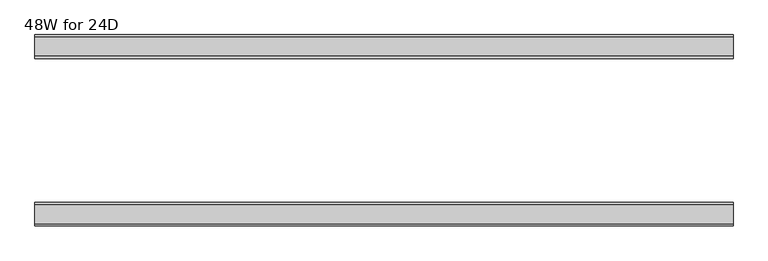
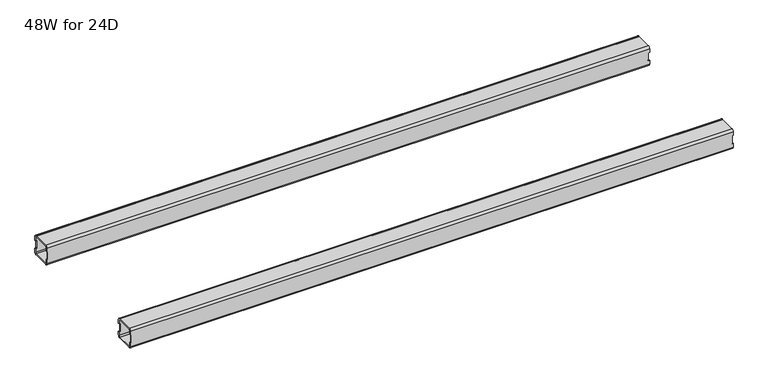
"""IFC4 building model written with IfcOpenShell, lengths in millimetres: furniture geometry, 48W for 24D."""

from ifc_helpers import new_model, si_unit, frame, origin, place, context, project, spatial, polyline, circle_curve, source, transform, mapped, element, save
from ifc_brep_helpers import plane_surface, cylinder_surface, revolved_surface, advanced_brep


def furniture_48w_for_24d_b0dd43f6(model_context):
    return source(origin(), model_context, "Body", "AdvancedBrep", [
        advanced_brep(
        [(1194.2028, -438.5082, 653.351), (1194.2028, -440.5082, 651.351), (1194.2028, -472.5082, 651.351), (1194.2028, -474.5082, 653.351), (1194.2028, -474.5082, 660.851), (1194.2028, -476.5082, 660.851), (1194.2028, -476.5082, 653.351), (1194.2028, -472.5082, 649.351), (1194.2028, -440.5082, 649.351), (1194.2028, -436.5082, 653.351), (1194.2028, -436.5082, 660.851), (1194.2028, -438.5082, 660.851), (1194.2028, -474.5082, 684.975), (1194.2028, -472.5082, 686.975), (1194.2028, -440.5082, 686.975), (1194.2028, -438.5082, 684.975), (1194.2028, -438.5082, 677.475), (1194.2028, -436.5082, 677.475), (1194.2028, -436.5082, 684.975), (1194.2028, -440.5082, 688.975), (1194.2028, -472.5082, 688.975), (1194.2028, -476.5082, 684.975), (1194.2028, -476.5082, 677.475), (1194.2028, -474.5082, 677.475), (22.0, -438.5082, 684.975), (22.0, -440.5082, 686.975), (22.0, -472.5082, 686.975), (22.0, -474.5082, 684.975), (22.0, -474.5082, 677.475), (22.0, -476.5082, 677.475), (22.0, -476.5082, 684.975), (22.0, -472.5082, 688.975), (22.0, -440.5082, 688.975), (22.0, -436.5082, 684.975), (22.0, -436.5082, 677.475), (22.0, -438.5082, 677.475), (22.0, -474.5082, 653.351), (22.0, -472.5082, 651.351), (22.0, -440.5082, 651.351), (22.0, -438.5082, 653.351), (22.0, -438.5082, 660.851), (22.0, -436.5082, 660.851), (22.0, -436.5082, 653.351), (22.0, -440.5082, 649.351), (22.0, -472.5082, 649.351), (22.0, -476.5082, 653.351), (22.0, -476.5082, 660.851), (22.0, -474.5082, 660.851), (23.365, -474.5082, 660.851), (24.0, -474.5082, 661.486), (24.0, -474.5082, 676.84), (23.365, -474.5082, 677.475), (1192.8378, -474.5082, 677.475), (1192.2028, -474.5082, 676.84), (1192.2028, -474.5082, 661.486), (1192.8378, -474.5082, 660.851), (1192.8378, -438.5082, 660.851), (1192.2028, -438.5082, 661.486), (1192.2028, -438.5082, 676.84), (1192.8378, -438.5082, 677.475), (23.365, -438.5082, 677.475), (24.0, -438.5082, 676.84), (24.0, -438.5082, 661.486), (23.365, -438.5082, 660.851), (23.365, -476.5082, 677.475), (24.0, -476.5082, 676.84), (24.0, -476.5082, 661.486), (23.365, -476.5082, 660.851), (1192.8378, -476.5082, 660.851), (1192.2028, -476.5082, 661.486), (1192.2028, -476.5082, 676.84), (1192.8378, -476.5082, 677.475), (1192.8378, -436.5082, 677.475), (1192.2028, -436.5082, 676.84), (1192.2028, -436.5082, 661.486), (1192.8378, -436.5082, 660.851), (23.365, -436.5082, 660.851), (24.0, -436.5082, 661.486), (24.0, -436.5082, 676.84), (23.365, -436.5082, 677.475)],
        [
            (0, 1, circle_curve(frame((1194.2028, -440.5082, 653.351), z_axis=(-1.0, 0.0, 0.0), x_axis=(0.0, 1.0, 0.0)), 2.0)),
            (1, 2),
            (2, 3, circle_curve(frame((1194.2028, -472.5082, 653.351), z_axis=(-1.0, 0.0, 0.0), x_axis=(0.0, 1.0, 0.0)), 2.0)),
            (3, 4),
            (4, 5),
            (5, 6),
            (6, 7, circle_curve(frame((1194.2028, -472.5082, 653.351), z_axis=(1.0, 0.0, 0.0), x_axis=(0.0, 1.0, 0.0)), 4.0)),
            (7, 8),
            (8, 9, circle_curve(frame((1194.2028, -440.5082, 653.351), z_axis=(1.0, 0.0, 0.0), x_axis=(0.0, 1.0, 0.0)), 4.0)),
            (9, 10),
            (10, 11),
            (11, 0),
            (12, 13, circle_curve(frame((1194.2028, -472.5082, 684.975), z_axis=(-1.0, 0.0, 0.0), x_axis=(0.0, 1.0, 0.0)), 2.0)),
            (13, 14),
            (14, 15, circle_curve(frame((1194.2028, -440.5082, 684.975), z_axis=(-1.0, 0.0, 0.0), x_axis=(0.0, 1.0, 0.0)), 2.0)),
            (15, 16),
            (16, 17),
            (17, 18),
            (18, 19, circle_curve(frame((1194.2028, -440.5082, 684.975), z_axis=(1.0, 0.0, 0.0), x_axis=(0.0, 1.0, 0.0)), 4.0)),
            (19, 20),
            (20, 21, circle_curve(frame((1194.2028, -472.5082, 684.975), z_axis=(1.0, 0.0, 0.0), x_axis=(0.0, 1.0, 0.0)), 4.0)),
            (21, 22),
            (22, 23),
            (23, 12),
            (24, 25, circle_curve(frame((22.0, -440.5082, 684.975), z_axis=(1.0, 0.0, 0.0), x_axis=(0.0, 1.0, 0.0)), 2.0)),
            (25, 26),
            (26, 27, circle_curve(frame((22.0, -472.5082, 684.975), z_axis=(1.0, 0.0, 0.0), x_axis=(0.0, 1.0, 0.0)), 2.0)),
            (27, 28),
            (28, 29),
            (29, 30),
            (30, 31, circle_curve(frame((22.0, -472.5082, 684.975), z_axis=(-1.0, 0.0, 0.0), x_axis=(0.0, 1.0, 0.0)), 4.0)),
            (31, 32),
            (32, 33, circle_curve(frame((22.0, -440.5082, 684.975), z_axis=(-1.0, 0.0, 0.0), x_axis=(0.0, 1.0, 0.0)), 4.0)),
            (33, 34),
            (34, 35),
            (35, 24),
            (36, 37, circle_curve(frame((22.0, -472.5082, 653.351), z_axis=(1.0, 0.0, 0.0), x_axis=(0.0, 1.0, 0.0)), 2.0)),
            (37, 38),
            (38, 39, circle_curve(frame((22.0, -440.5082, 653.351), z_axis=(1.0, 0.0, 0.0), x_axis=(0.0, 1.0, 0.0)), 2.0)),
            (39, 40),
            (40, 41),
            (41, 42),
            (42, 43, circle_curve(frame((22.0, -440.5082, 653.351), z_axis=(-1.0, 0.0, 0.0), x_axis=(0.0, 1.0, 0.0)), 4.0)),
            (43, 44),
            (44, 45, circle_curve(frame((22.0, -472.5082, 653.351), z_axis=(-1.0, 0.0, 0.0), x_axis=(0.0, 1.0, 0.0)), 4.0)),
            (45, 46),
            (46, 47),
            (47, 36),
            (0, 39),
            (38, 1),
            (37, 2),
            (36, 3),
            (47, 48),
            (48, 49, circle_curve(frame((23.365, -474.5082, 661.486), z_axis=(0.0, -1.0, 0.0), x_axis=(1.0, 0.0, 0.0)), 0.635)),
            (49, 50),
            (50, 51, circle_curve(frame((23.365, -474.5082, 676.84), z_axis=(0.0, -1.0, 0.0), x_axis=(1.0, 0.0, 0.0)), 0.635)),
            (51, 28),
            (27, 12),
            (23, 52),
            (52, 53, circle_curve(frame((1192.8378, -474.5082, 676.84), z_axis=(0.0, -1.0, 0.0), x_axis=(1.0, 0.0, 0.0)), 0.635)),
            (53, 54),
            (54, 55, circle_curve(frame((1192.8378, -474.5082, 661.486), z_axis=(0.0, -1.0, 0.0), x_axis=(1.0, 0.0, 0.0)), 0.635)),
            (55, 4),
            (26, 13),
            (25, 14),
            (24, 15),
            (11, 56),
            (56, 57, circle_curve(frame((1192.8378, -438.5082, 661.486), z_axis=(0.0, 1.0, 0.0), x_axis=(1.0, 0.0, 0.0)), 0.635)),
            (57, 58),
            (58, 59, circle_curve(frame((1192.8378, -438.5082, 676.84), z_axis=(0.0, 1.0, 0.0), x_axis=(1.0, 0.0, 0.0)), 0.635)),
            (59, 16),
            (35, 60),
            (60, 61, circle_curve(frame((23.365, -438.5082, 676.84), z_axis=(0.0, 1.0, 0.0), x_axis=(1.0, 0.0, 0.0)), 0.635)),
            (61, 62),
            (62, 63, circle_curve(frame((23.365, -438.5082, 661.486), z_axis=(0.0, 1.0, 0.0), x_axis=(1.0, 0.0, 0.0)), 0.635)),
            (63, 40),
            (18, 33),
            (32, 19),
            (31, 20),
            (30, 21),
            (29, 64),
            (64, 65, circle_curve(frame((23.365, -476.5082, 676.84), z_axis=(0.0, 1.0, 0.0), x_axis=(1.0, 0.0, 0.0)), 0.635)),
            (65, 66),
            (66, 67, circle_curve(frame((23.365, -476.5082, 661.486), z_axis=(0.0, 1.0, 0.0), x_axis=(1.0, 0.0, 0.0)), 0.635)),
            (67, 46),
            (45, 6),
            (5, 68),
            (68, 69, circle_curve(frame((1192.8378, -476.5082, 661.486), z_axis=(0.0, 1.0, 0.0), x_axis=(1.0, 0.0, 0.0)), 0.635)),
            (69, 70),
            (70, 71, circle_curve(frame((1192.8378, -476.5082, 676.84), z_axis=(0.0, 1.0, 0.0), x_axis=(1.0, 0.0, 0.0)), 0.635)),
            (71, 22),
            (44, 7),
            (43, 8),
            (42, 9),
            (17, 72),
            (72, 73, circle_curve(frame((1192.8378, -436.5082, 676.84), z_axis=(0.0, -1.0, 0.0), x_axis=(1.0, 0.0, 0.0)), 0.635)),
            (73, 74),
            (74, 75, circle_curve(frame((1192.8378, -436.5082, 661.486), z_axis=(0.0, -1.0, 0.0), x_axis=(1.0, 0.0, 0.0)), 0.635)),
            (75, 10),
            (41, 76),
            (76, 77, circle_curve(frame((23.365, -436.5082, 661.486), z_axis=(0.0, -1.0, 0.0), x_axis=(1.0, 0.0, 0.0)), 0.635)),
            (77, 78),
            (78, 79, circle_curve(frame((23.365, -436.5082, 676.84), z_axis=(0.0, -1.0, 0.0), x_axis=(1.0, 0.0, 0.0)), 0.635)),
            (79, 34),
            (71, 52),
            (59, 72),
            (70, 53),
            (58, 73),
            (69, 54),
            (57, 74),
            (68, 55),
            (56, 75),
            (51, 64),
            (79, 60),
            (67, 48),
            (63, 76),
            (66, 49),
            (62, 77),
            (65, 50),
            (61, 78),
        ],
        [
            plane_surface(frame((1194.2028, -438.5082, 653.351), z_axis=(1.0, 0.0, 0.0), x_axis=(0.0, 0.0, -1.0))),
            plane_surface(frame((22.0, -438.5082, 653.351), z_axis=(-1.0, 0.0, 0.0), x_axis=(0.0, 0.0, 1.0))),
            revolved_surface(polyline([(22.0, -438.5082, 653.351), (1194.2028, -438.5082, 653.351)]), (22.0, -440.5082, 653.351), (-1.0, 0.0, 0.0)),
            plane_surface(frame((1194.2028, -440.5082, 651.351), z_axis=(0.0, -4.868672132139401e-12, 1.0), x_axis=(-1.0, 0.0, 0.0))),
            revolved_surface(polyline([(22.0, -470.5082, 653.351), (1194.2028, -470.5082, 653.351)]), (22.0, -472.5082, 653.351), (-1.0, 0.0, 0.0)),
            plane_surface(frame((1194.2028, -474.5082, 653.351), z_axis=(0.0, 1.0, 0.0), x_axis=(-1.0, 0.0, 0.0))),
            revolved_surface(polyline([(22.0, -470.5082, 684.975), (1194.2028, -470.5082, 684.975)]), (22.0, -472.5082, 684.975), (-1.0, 0.0, 0.0)),
            plane_surface(frame((1194.2028, -472.5082, 686.975), z_axis=(0.0, 0.0, -1.0), x_axis=(-1.0, 0.0, 0.0))),
            revolved_surface(polyline([(22.0, -438.5082, 684.975), (1194.2028, -438.5082, 684.975)]), (22.0, -440.5082, 684.975), (-1.0, 0.0, 0.0)),
            plane_surface(frame((1194.2028, -438.5082, 684.975), z_axis=(0.0, -1.0, 0.0), x_axis=(-1.0, 0.0, 0.0))),
            cylinder_surface(frame((0.0, -440.5082, 684.975), z_axis=(1.0, 0.0, 0.0), x_axis=(0.0, 1.0, 0.0)), 4.0),
            plane_surface(frame((1194.2028, -440.5082, 688.975), z_axis=(0.0, 0.0, 1.0), x_axis=(-1.0, 0.0, 0.0))),
            cylinder_surface(frame((0.0, -472.5082, 684.975), z_axis=(1.0, 0.0, 0.0), x_axis=(0.0, 1.0, 0.0)), 4.0),
            plane_surface(frame((1194.2028, -476.5082, 684.975), z_axis=(0.0, -1.0, 0.0), x_axis=(-1.0, 0.0, 0.0))),
            cylinder_surface(frame((0.0, -472.5082, 653.351), z_axis=(1.0, 0.0, 0.0), x_axis=(0.0, 1.0, 0.0)), 4.0),
            plane_surface(frame((1194.2028, -472.5082, 649.351), z_axis=(0.0, 0.0, -1.0), x_axis=(-1.0, 0.0, 0.0))),
            cylinder_surface(frame((0.0, -440.5082, 653.351), z_axis=(1.0, 0.0, 0.0), x_axis=(0.0, 1.0, 0.0)), 4.0),
            plane_surface(frame((1194.2028, -436.5082, 653.351), z_axis=(0.0, 1.0, -4.917998717621574e-12), x_axis=(-1.0, 0.0, 0.0))),
            plane_surface(frame((1194.2028, -476.5082, 677.475), z_axis=(1.130465684452016e-11, 0.0, -1.0), x_axis=(0.0, 1.0, 0.0))),
            revolved_surface(polyline([(1193.4728, -476.5082, 676.84), (1193.4728, -474.5082, 676.84)]), (1192.8378, -436.5082, 676.84), (0.0, -1.0, 0.0)),
            revolved_surface(polyline([(1193.4728, -438.5082, 676.84), (1193.4728, -436.5082, 676.84)]), (1192.8378, -436.5082, 676.84), (0.0, -1.0, 0.0)),
            plane_surface(frame((1192.2028, -476.5082, 676.84), z_axis=(1.0, 0.0, 0.0), x_axis=(0.0, 1.0, 0.0))),
            revolved_surface(polyline([(1193.4728, -476.5082, 661.486), (1193.4728, -474.5082, 661.486)]), (1192.8378, -436.5082, 661.486), (0.0, -1.0, 0.0)),
            revolved_surface(polyline([(1193.4728, -438.5082, 661.486), (1193.4728, -436.5082, 661.486)]), (1192.8378, -436.5082, 661.486), (0.0, -1.0, 0.0)),
            plane_surface(frame((1192.8378, -476.5082, 660.851), z_axis=(0.0, 0.0, 1.0), x_axis=(0.0, 1.0, 0.0))),
            plane_surface(frame((23.365, -476.5082, 677.475), z_axis=(0.0, 0.0, -1.0), x_axis=(0.0, 1.0, 0.0))),
            plane_surface(frame((22.0, -476.5082, 660.851), z_axis=(-1.1502984157403295e-11, 0.0, 1.0), x_axis=(0.0, 1.0, 0.0))),
            revolved_surface(polyline([(24.0, -476.5082, 661.486), (24.0, -474.5082, 661.486)]), (23.365, -436.5082, 661.486), (0.0, -1.0, 0.0)),
            revolved_surface(polyline([(24.0, -438.5082, 661.486), (24.0, -436.5082, 661.486)]), (23.365, -436.5082, 661.486), (0.0, -1.0, 0.0)),
            plane_surface(frame((24.0, -476.5082, 661.486), z_axis=(-1.0, 0.0, 0.0), x_axis=(0.0, 1.0, 0.0))),
            revolved_surface(polyline([(24.0, -476.5082, 676.84), (24.0, -474.5082, 676.84)]), (23.365, -436.5082, 676.84), (0.0, -1.0, 0.0)),
            revolved_surface(polyline([(24.0, -438.5082, 676.84), (24.0, -436.5082, 676.84)]), (23.365, -436.5082, 676.84), (0.0, -1.0, 0.0)),
        ],
        [
            (0, [[1, 2, 3, 4, 5, 6, 7, 8, 9, 10, 11, 12]]),
            (0, [[13, 14, 15, 16, 17, 18, 19, 20, 21, 22, 23, 24]]),
            (1, [[25, 26, 27, 28, 29, 30, 31, 32, 33, 34, 35, 36]]),
            (1, [[37, 38, 39, 40, 41, 42, 43, 44, 45, 46, 47, 48]]),
            (2, [[-1, 49, -39, 50]]),
            (3, [[-2, -50, -38, 51]]),
            (4, [[-3, -51, -37, 52]]),
            (5, [[-52, -48, 53, 54, 55, 56, 57, -28, 58, -24, 59, 60, 61, 62, 63, -4]]),
            (6, [[-13, -58, -27, 64]]),
            (7, [[-14, -64, -26, 65]]),
            (8, [[-15, -65, -25, 66]]),
            (9, [[-49, -12, 67, 68, 69, 70, 71, -16, -66, -36, 72, 73, 74, 75, 76, -40]]),
            (10, [[-19, 77, -33, 78]]),
            (11, [[-20, -78, -32, 79]]),
            (12, [[-21, -79, -31, 80]]),
            (13, [[-80, -30, 81, 82, 83, 84, 85, -46, 86, -6, 87, 88, 89, 90, 91, -22]]),
            (14, [[-7, -86, -45, 92]]),
            (15, [[-8, -92, -44, 93]]),
            (16, [[-9, -93, -43, 94]]),
            (17, [[-77, -18, 95, 96, 97, 98, 99, -10, -94, -42, 100, 101, 102, 103, 104, -34]]),
            (18, [[105, -59, -23, -91]]),
            (18, [[106, -95, -17, -71]]),
            (19, [[-105, -90, 107, -60]]),
            (20, [[-106, -70, 108, -96]]),
            (21, [[-107, -89, 109, -61]]),
            (21, [[-108, -69, 110, -97]]),
            (22, [[-109, -88, 111, -62]]),
            (23, [[-110, -68, 112, -98]]),
            (24, [[-111, -87, -5, -63]]),
            (24, [[-112, -67, -11, -99]]),
            (25, [[113, -81, -29, -57]]),
            (25, [[114, -72, -35, -104]]),
            (26, [[115, -53, -47, -85]]),
            (26, [[116, -100, -41, -76]]),
            (27, [[-115, -84, 117, -54]]),
            (28, [[-116, -75, 118, -101]]),
            (29, [[-117, -83, 119, -55]]),
            (29, [[-118, -74, 120, -102]]),
            (30, [[-113, -56, -119, -82]]),
            (31, [[-114, -103, -120, -73]]),
        ],
    ),
        advanced_brep(
        [(1194.2028, -192.9996202, 684.975), (1194.2028, -190.9996202, 686.975), (1194.2028, -159.0003798, 686.975), (1194.2028, -157.0003798, 684.975), (1194.2028, -157.0003798, 677.475), (1194.2028, -155.0003798, 677.475), (1194.2028, -155.0003798, 684.975), (1194.2028, -159.0003798, 688.975), (1194.2028, -190.9996202, 688.975), (1194.2028, -194.9996202, 684.975), (1194.2028, -194.9996202, 677.475), (1194.2028, -192.9996202, 677.475), (1194.2028, -157.0003798, 653.351), (1194.2028, -159.0003798, 651.351), (1194.2028, -190.9996202, 651.351), (1194.2028, -192.9996202, 653.351), (1194.2028, -192.9996202, 660.851), (1194.2028, -194.9996202, 660.851), (1194.2028, -194.9996202, 653.351), (1194.2028, -190.9996202, 649.351), (1194.2028, -159.0003798, 649.351), (1194.2028, -155.0003798, 653.351), (1194.2028, -155.0003798, 660.851), (1194.2028, -157.0003798, 660.851), (22.0, -192.9996202, 653.351), (22.0, -190.9996202, 651.351), (22.0, -159.0003798, 651.351), (22.0, -157.0003798, 653.351), (22.0, -157.0003798, 660.851), (22.0, -155.0003798, 660.851), (22.0, -155.0003798, 653.351), (22.0, -159.0003798, 649.351), (22.0, -190.9996202, 649.351), (22.0, -194.9996202, 653.351), (22.0, -194.9996202, 660.851), (22.0, -192.9996202, 660.851), (22.0, -157.0003798, 684.975), (22.0, -159.0003798, 686.975), (22.0, -190.9996202, 686.975), (22.0, -192.9996202, 684.975), (22.0, -192.9996202, 677.475), (22.0, -194.9996202, 677.475), (22.0, -194.9996202, 684.975), (22.0, -190.9996202, 688.975), (22.0, -159.0003798, 688.975), (22.0, -155.0003798, 684.975), (22.0, -155.0003798, 677.475), (22.0, -157.0003798, 677.475), (1192.8378, -157.0003798, 660.851), (1192.2028, -157.0003798, 661.486), (1192.2028, -157.0003798, 676.84), (1192.8378, -157.0003798, 677.475), (23.365, -157.0003798, 677.475), (24.0, -157.0003798, 676.84), (24.0, -157.0003798, 661.486), (23.365, -157.0003798, 660.851), (23.365, -192.9996202, 660.851), (24.0, -192.9996202, 661.486), (24.0, -192.9996202, 676.84), (23.365, -192.9996202, 677.475), (1192.8378, -192.9996202, 677.475), (1192.2028, -192.9996202, 676.84), (1192.2028, -192.9996202, 661.486), (1192.8378, -192.9996202, 660.851), (1192.8378, -155.0003798, 677.475), (1192.2028, -155.0003798, 676.84), (1192.2028, -155.0003798, 661.486), (1192.8378, -155.0003798, 660.851), (23.365, -155.0003798, 660.851), (24.0, -155.0003798, 661.486), (24.0, -155.0003798, 676.84), (23.365, -155.0003798, 677.475), (23.365, -194.9996202, 677.475), (24.0, -194.9996202, 676.84), (24.0, -194.9996202, 661.486), (23.365, -194.9996202, 660.851), (1192.8378, -194.9996202, 660.851), (1192.2028, -194.9996202, 661.486), (1192.2028, -194.9996202, 676.84), (1192.8378, -194.9996202, 677.475)],
        [
            (0, 1, circle_curve(frame((1194.2028, -190.9996202, 684.975), z_axis=(-1.0, 0.0, 0.0), x_axis=(0.0, -1.0, 0.0)), 2.0)),
            (1, 2),
            (2, 3, circle_curve(frame((1194.2028, -159.0003798, 684.975), z_axis=(-1.0, 0.0, 0.0), x_axis=(0.0, -1.0, 0.0)), 2.0)),
            (3, 4),
            (4, 5),
            (5, 6),
            (6, 7, circle_curve(frame((1194.2028, -159.0003798, 684.975), z_axis=(1.0, 0.0, 0.0), x_axis=(0.0, -1.0, 0.0)), 4.0)),
            (7, 8),
            (8, 9, circle_curve(frame((1194.2028, -190.9996202, 684.975), z_axis=(1.0, 0.0, 0.0), x_axis=(0.0, -1.0, 0.0)), 4.0)),
            (9, 10),
            (10, 11),
            (11, 0),
            (12, 13, circle_curve(frame((1194.2028, -159.0003798, 653.351), z_axis=(-1.0, 0.0, 0.0), x_axis=(0.0, -1.0, 0.0)), 2.0)),
            (13, 14),
            (14, 15, circle_curve(frame((1194.2028, -190.9996202, 653.351), z_axis=(-1.0, 0.0, 0.0), x_axis=(0.0, -1.0, 0.0)), 2.0)),
            (15, 16),
            (16, 17),
            (17, 18),
            (18, 19, circle_curve(frame((1194.2028, -190.9996202, 653.351), z_axis=(1.0, 0.0, 0.0), x_axis=(0.0, -1.0, 0.0)), 4.0)),
            (19, 20),
            (20, 21, circle_curve(frame((1194.2028, -159.0003798, 653.351), z_axis=(1.0, 0.0, 0.0), x_axis=(0.0, -1.0, 0.0)), 4.0)),
            (21, 22),
            (22, 23),
            (23, 12),
            (24, 25, circle_curve(frame((22.0, -190.9996202, 653.351), z_axis=(1.0, 0.0, 0.0), x_axis=(0.0, -1.0, 0.0)), 2.0)),
            (25, 26),
            (26, 27, circle_curve(frame((22.0, -159.0003798, 653.351), z_axis=(1.0, 0.0, 0.0), x_axis=(0.0, -1.0, 0.0)), 2.0)),
            (27, 28),
            (28, 29),
            (29, 30),
            (30, 31, circle_curve(frame((22.0, -159.0003798, 653.351), z_axis=(-1.0, 0.0, 0.0), x_axis=(0.0, -1.0, 0.0)), 4.0)),
            (31, 32),
            (32, 33, circle_curve(frame((22.0, -190.9996202, 653.351), z_axis=(-1.0, 0.0, 0.0), x_axis=(0.0, -1.0, 0.0)), 4.0)),
            (33, 34),
            (34, 35),
            (35, 24),
            (36, 37, circle_curve(frame((22.0, -159.0003798, 684.975), z_axis=(1.0, 0.0, 0.0), x_axis=(0.0, -1.0, 0.0)), 2.0)),
            (37, 38),
            (38, 39, circle_curve(frame((22.0, -190.9996202, 684.975), z_axis=(1.0, 0.0, 0.0), x_axis=(0.0, -1.0, 0.0)), 2.0)),
            (39, 40),
            (40, 41),
            (41, 42),
            (42, 43, circle_curve(frame((22.0, -190.9996202, 684.975), z_axis=(-1.0, 0.0, 0.0), x_axis=(0.0, -1.0, 0.0)), 4.0)),
            (43, 44),
            (44, 45, circle_curve(frame((22.0, -159.0003798, 684.975), z_axis=(-1.0, 0.0, 0.0), x_axis=(0.0, -1.0, 0.0)), 4.0)),
            (45, 46),
            (46, 47),
            (47, 36),
            (14, 25),
            (24, 15),
            (13, 26),
            (12, 27),
            (23, 48),
            (48, 49, circle_curve(frame((1192.8378, -157.0003798, 661.486), z_axis=(0.0, 1.0, 0.0), x_axis=(1.0, 0.0, 0.0)), 0.635)),
            (49, 50),
            (50, 51, circle_curve(frame((1192.8378, -157.0003798, 676.84), z_axis=(0.0, 1.0, 0.0), x_axis=(1.0, 0.0, 0.0)), 0.635)),
            (51, 4),
            (3, 36),
            (47, 52),
            (52, 53, circle_curve(frame((23.365, -157.0003798, 676.84), z_axis=(0.0, 1.0, 0.0), x_axis=(1.0, 0.0, 0.0)), 0.635)),
            (53, 54),
            (54, 55, circle_curve(frame((23.365, -157.0003798, 661.486), z_axis=(0.0, 1.0, 0.0), x_axis=(1.0, 0.0, 0.0)), 0.635)),
            (55, 28),
            (2, 37),
            (1, 38),
            (0, 39),
            (35, 56),
            (56, 57, circle_curve(frame((23.365, -192.9996202, 661.486), z_axis=(0.0, -1.0, 0.0), x_axis=(1.0, 0.0, 0.0)), 0.635)),
            (57, 58),
            (58, 59, circle_curve(frame((23.365, -192.9996202, 676.84), z_axis=(0.0, -1.0, 0.0), x_axis=(1.0, 0.0, 0.0)), 0.635)),
            (59, 40),
            (11, 60),
            (60, 61, circle_curve(frame((1192.8378, -192.9996202, 676.84), z_axis=(0.0, -1.0, 0.0), x_axis=(1.0, 0.0, 0.0)), 0.635)),
            (61, 62),
            (62, 63, circle_curve(frame((1192.8378, -192.9996202, 661.486), z_axis=(0.0, -1.0, 0.0), x_axis=(1.0, 0.0, 0.0)), 0.635)),
            (63, 16),
            (8, 43),
            (42, 9),
            (7, 44),
            (6, 45),
            (5, 64),
            (64, 65, circle_curve(frame((1192.8378, -155.0003798, 676.84), z_axis=(0.0, -1.0, 0.0), x_axis=(1.0, 0.0, 0.0)), 0.635)),
            (65, 66),
            (66, 67, circle_curve(frame((1192.8378, -155.0003798, 661.486), z_axis=(0.0, -1.0, 0.0), x_axis=(1.0, 0.0, 0.0)), 0.635)),
            (67, 22),
            (21, 30),
            (29, 68),
            (68, 69, circle_curve(frame((23.365, -155.0003798, 661.486), z_axis=(0.0, -1.0, 0.0), x_axis=(1.0, 0.0, 0.0)), 0.635)),
            (69, 70),
            (70, 71, circle_curve(frame((23.365, -155.0003798, 676.84), z_axis=(0.0, -1.0, 0.0), x_axis=(1.0, 0.0, 0.0)), 0.635)),
            (71, 46),
            (20, 31),
            (19, 32),
            (18, 33),
            (41, 72),
            (72, 73, circle_curve(frame((23.365, -194.9996202, 676.84), z_axis=(0.0, 1.0, 0.0), x_axis=(1.0, 0.0, 0.0)), 0.635)),
            (73, 74),
            (74, 75, circle_curve(frame((23.365, -194.9996202, 661.486), z_axis=(0.0, 1.0, 0.0), x_axis=(1.0, 0.0, 0.0)), 0.635)),
            (75, 34),
            (17, 76),
            (76, 77, circle_curve(frame((1192.8378, -194.9996202, 661.486), z_axis=(0.0, 1.0, 0.0), x_axis=(1.0, 0.0, 0.0)), 0.635)),
            (77, 78),
            (78, 79, circle_curve(frame((1192.8378, -194.9996202, 676.84), z_axis=(0.0, 1.0, 0.0), x_axis=(1.0, 0.0, 0.0)), 0.635)),
            (79, 10),
            (51, 64),
            (79, 60),
            (50, 65),
            (78, 61),
            (49, 66),
            (77, 62),
            (48, 67),
            (76, 63),
            (71, 52),
            (59, 72),
            (55, 68),
            (75, 56),
            (54, 69),
            (74, 57),
            (53, 70),
            (73, 58),
        ],
        [
            plane_surface(frame((1194.2028, -192.9996202, 684.975), z_axis=(1.0, 0.0, 0.0), x_axis=(0.0, 0.0, 1.0))),
            plane_surface(frame((22.0, -192.9996202, 684.975), z_axis=(-1.0, 0.0, 0.0), x_axis=(0.0, 0.0, -1.0))),
            revolved_surface(polyline([(22.0, -192.9996202, 653.351), (1194.2028, -192.9996202, 653.351)]), (22.0, -190.9996202, 653.351), (-1.0, 0.0, 0.0)),
            plane_surface(frame((1194.2028, -159.0003798, 651.351), z_axis=(0.0, 0.0, 1.0), x_axis=(-1.0, 0.0, 0.0))),
            revolved_surface(polyline([(22.0, -161.0003798, 653.351), (1194.2028, -161.0003798, 653.351)]), (22.0, -159.0003798, 653.351), (-1.0, 0.0, 0.0)),
            plane_surface(frame((1194.2028, -157.0003798, 684.975), z_axis=(0.0, -1.0, 0.0), x_axis=(-1.0, 0.0, 0.0))),
            revolved_surface(polyline([(22.0, -161.0003798, 684.975), (1194.2028, -161.0003798, 684.975)]), (22.0, -159.0003798, 684.975), (-1.0, 0.0, 0.0)),
            plane_surface(frame((1194.2028, -190.9996202, 686.975), z_axis=(0.0, 0.0, -1.0), x_axis=(-1.0, 0.0, 0.0))),
            revolved_surface(polyline([(22.0, -192.9996202, 684.975), (1194.2028, -192.9996202, 684.975)]), (22.0, -190.9996202, 684.975), (-1.0, 0.0, 0.0)),
            plane_surface(frame((1194.2028, -192.9996202, 653.351), z_axis=(0.0, 1.0, 0.0), x_axis=(-1.0, 0.0, 0.0))),
            cylinder_surface(frame((0.0, -190.9996202, 684.975), z_axis=(1.0, 0.0, 0.0), x_axis=(0.0, -1.0, 0.0)), 4.0),
            plane_surface(frame((1194.2028, -159.0003798, 688.975), z_axis=(0.0, 0.0, 1.0), x_axis=(-1.0, 0.0, 0.0))),
            cylinder_surface(frame((0.0, -159.0003798, 684.975), z_axis=(1.0, 0.0, 0.0), x_axis=(0.0, -1.0, 0.0)), 4.0),
            plane_surface(frame((1194.2028, -155.0003798, 653.351), z_axis=(0.0, 1.0, 0.0), x_axis=(-1.0, 0.0, 0.0))),
            cylinder_surface(frame((0.0, -159.0003798, 653.351), z_axis=(1.0, 0.0, 0.0), x_axis=(0.0, -1.0, 0.0)), 4.0),
            plane_surface(frame((1194.2028, -190.9996202, 649.351), z_axis=(0.0, 0.0, -1.0), x_axis=(-1.0, 0.0, 0.0))),
            cylinder_surface(frame((0.0, -190.9996202, 653.351), z_axis=(1.0, 0.0, 0.0), x_axis=(0.0, -1.0, 0.0)), 4.0),
            plane_surface(frame((1194.2028, -194.9996202, 684.975), z_axis=(0.0, -1.0, 0.0), x_axis=(-1.0, 0.0, 0.0))),
            plane_surface(frame((1192.8378, -155.0003798, 677.475), z_axis=(-8.468576266924131e-11, 0.0, -1.0), x_axis=(0.0, -1.0, 0.0))),
            revolved_surface(polyline([(1193.4728, -155.0003798, 676.84), (1193.4728, -157.0003798, 676.84)]), (1192.8378, -194.9996202, 676.84), (0.0, 1.0, 0.0)),
            revolved_surface(polyline([(1193.4728, -192.9996202, 676.84), (1193.4728, -194.9996202, 676.84)]), (1192.8378, -194.9996202, 676.84), (0.0, 1.0, 0.0)),
            plane_surface(frame((1192.2028, -155.0003798, 661.486), z_axis=(1.0, 0.0, 6.082928872064027e-12), x_axis=(0.0, -1.0, 0.0))),
            revolved_surface(polyline([(1193.4728, -155.0003798, 661.486), (1193.4728, -157.0003798, 661.486)]), (1192.8378, -194.9996202, 661.486), (0.0, 1.0, 0.0)),
            revolved_surface(polyline([(1193.4728, -192.9996202, 661.486), (1193.4728, -194.9996202, 661.486)]), (1192.8378, -194.9996202, 661.486), (0.0, 1.0, 0.0)),
            plane_surface(frame((1194.2028, -155.0003798, 660.851), z_axis=(0.0, 0.0, 1.0), x_axis=(0.0, -1.0, 0.0))),
            plane_surface(frame((22.0, -155.0003798, 677.475), z_axis=(0.0, 0.0, -1.0), x_axis=(0.0, -1.0, 0.0))),
            plane_surface(frame((23.365, -155.0003798, 660.851), z_axis=(-2.8559133082148777e-11, 0.0, 1.0), x_axis=(0.0, -1.0, 0.0))),
            revolved_surface(polyline([(24.0, -155.0003798, 661.486), (24.0, -157.0003798, 661.486)]), (23.365, -194.9996202, 661.486), (0.0, 1.0, 0.0)),
            revolved_surface(polyline([(24.0, -192.9996202, 661.486), (24.0, -194.9996202, 661.486)]), (23.365, -194.9996202, 661.486), (0.0, 1.0, 0.0)),
            plane_surface(frame((24.0, -155.0003798, 676.84), z_axis=(-1.0, 0.0, 3.414484621396347e-12), x_axis=(0.0, -1.0, 0.0))),
            revolved_surface(polyline([(24.0, -155.0003798, 676.84), (24.0, -157.0003798, 676.84)]), (23.365, -194.9996202, 676.84), (0.0, 1.0, 0.0)),
            revolved_surface(polyline([(24.0, -192.9996202, 676.84), (24.0, -194.9996202, 676.84)]), (23.365, -194.9996202, 676.84), (0.0, 1.0, 0.0)),
        ],
        [
            (0, [[1, 2, 3, 4, 5, 6, 7, 8, 9, 10, 11, 12]]),
            (0, [[13, 14, 15, 16, 17, 18, 19, 20, 21, 22, 23, 24]]),
            (1, [[25, 26, 27, 28, 29, 30, 31, 32, 33, 34, 35, 36]]),
            (1, [[37, 38, 39, 40, 41, 42, 43, 44, 45, 46, 47, 48]]),
            (2, [[-15, 49, -25, 50]]),
            (3, [[-14, 51, -26, -49]]),
            (4, [[-13, 52, -27, -51]]),
            (5, [[-52, -24, 53, 54, 55, 56, 57, -4, 58, -48, 59, 60, 61, 62, 63, -28]]),
            (6, [[-3, 64, -37, -58]]),
            (7, [[-2, 65, -38, -64]]),
            (8, [[-1, 66, -39, -65]]),
            (9, [[-50, -36, 67, 68, 69, 70, 71, -40, -66, -12, 72, 73, 74, 75, 76, -16]]),
            (10, [[-9, 77, -43, 78]]),
            (11, [[-8, 79, -44, -77]]),
            (12, [[-7, 80, -45, -79]]),
            (13, [[-80, -6, 81, 82, 83, 84, 85, -22, 86, -30, 87, 88, 89, 90, 91, -46]]),
            (14, [[-21, 92, -31, -86]]),
            (15, [[-20, 93, -32, -92]]),
            (16, [[-19, 94, -33, -93]]),
            (17, [[-78, -42, 95, 96, 97, 98, 99, -34, -94, -18, 100, 101, 102, 103, 104, -10]]),
            (18, [[105, -81, -5, -57]]),
            (18, [[106, -72, -11, -104]]),
            (19, [[-105, -56, 107, -82]]),
            (20, [[-106, -103, 108, -73]]),
            (21, [[-107, -55, 109, -83]]),
            (21, [[-108, -102, 110, -74]]),
            (22, [[-109, -54, 111, -84]]),
            (23, [[-110, -101, 112, -75]]),
            (24, [[-111, -53, -23, -85]]),
            (24, [[-112, -100, -17, -76]]),
            (25, [[113, -59, -47, -91]]),
            (25, [[114, -95, -41, -71]]),
            (26, [[115, -87, -29, -63]]),
            (26, [[116, -67, -35, -99]]),
            (27, [[-115, -62, 117, -88]]),
            (28, [[-116, -98, 118, -68]]),
            (29, [[-117, -61, 119, -89]]),
            (29, [[-118, -97, 120, -69]]),
            (30, [[-119, -60, -113, -90]]),
            (31, [[-120, -96, -114, -70]]),
        ],
    ),
    ])


if __name__ == "__main__":
    model = new_model("IFC4")
    model_context = context("Model", 3, world=origin())
    ifc_project = project(units=[si_unit("LENGTHUNIT", "METRE", prefix="MILLI")], contexts=[model_context])
    site = spatial("IfcSite", under=ifc_project)
    building = spatial("IfcBuilding", under=site)
    placement = place(None, origin())
    furniture_48w_for_24d_shape = furniture_48w_for_24d_b0dd43f6(model_context)
    element("IfcFurniture", 1, ObjectType="48W for 24D", at=placement, inside=building, context=model_context, shape_type="MappedRepresentation", body=[
        mapped(furniture_48w_for_24d_shape, transform((0.0, 0.0, 0.0), x_axis=(1.0, 0.0, 0.0), y_axis=(0.0, 1.0, 0.0), z_axis=(0.0, 0.0, 1.0))),
    ])
    save(model, "model.ifc")
